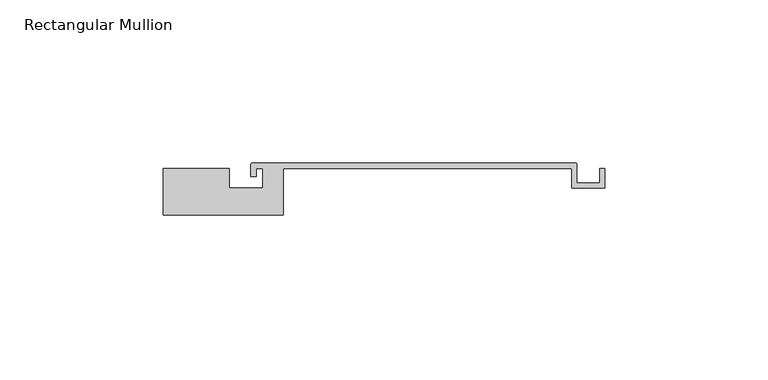
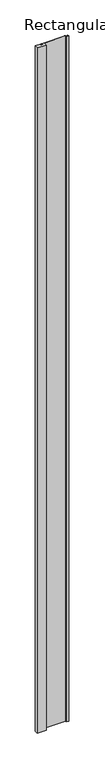
"""IFC4 building model written with IfcOpenShell, lengths in millimetres: member geometry, Rectangular Mullion."""

from ifc_helpers import new_model, si_unit, point, frame, frame_2d, origin, place, context, project, spatial, polyline, circle_curve, trimmed, segment, composite_curve, outline, extrude, source, transform, mapped, element, save


def rectangular_mullion_71db5463(model_context):
    return source(origin(), model_context, "Body", "SweptSolid", [
        extrude(outline(composite_curve([segment(polyline([(-90.0, 14.2), (-69.7, 14.2), (-69.7, 8.2), (-59.5, 8.2), (-59.5, 14.2), (-61.5, 14.2), (-61.5, 11.8), (-63.1, 11.8), (-63.1, 15.5)]), True, "CONTINUOUS"), segment(trimmed(circle_curve(frame_2d((-62.6, 15.5)), 0.5), [point((-63.1, 15.5))], [point((-62.6, 16.0))], False, "CARTESIAN"), True, "CONTINUOUS"), segment(polyline([(-62.6, 16.0), (36.4, 16.0)]), True, "CONTINUOUS"), segment(trimmed(circle_curve(frame_2d((36.4, 15.5)), 0.5), [point((36.4, 16.0))], [point((36.9, 15.5))], False, "CARTESIAN"), True, "CONTINUOUS"), segment(polyline([(36.9, 15.5), (36.9, 9.8), (43.9, 9.8), (43.9, 14.2), (45.5, 14.2), (45.5, 8.2), (35.3, 8.2), (35.3, 14.2), (-53.2, 14.2), (-53.2, 0.0), (-90.0, 0.0), (-90.0, 14.2)]), True, "CONTINUOUS")], self_intersect=False)), frame((0.0, 0.0, -3000.0), z_axis=(0.0, 0.0, 1.0), x_axis=(1.0, 0.0, 0.0)), (0.0, 0.0, 1.0), 3000.0),
    ])


if __name__ == "__main__":
    model = new_model("IFC4")
    model_context = context("Model", 3, world=origin())
    ifc_project = project(units=[si_unit("LENGTHUNIT", "METRE", prefix="MILLI")], contexts=[model_context])
    site = spatial("IfcSite", under=ifc_project)
    building = spatial("IfcBuilding", under=site)
    placement = place(None, origin())
    rectangular_mullion_shape = rectangular_mullion_71db5463(model_context)
    element("IfcMember", 1, ObjectType="Rectangular Mullion", at=placement, inside=building, context=model_context, shape_type="MappedRepresentation", body=[
        mapped(rectangular_mullion_shape, transform((0.0, 0.0, 0.0), x_axis=(1.0, 0.0, 0.0), y_axis=(0.0, 1.0, 0.0), z_axis=(0.0, 0.0, 1.0))),
    ])
    save(model, "model.ifc")
